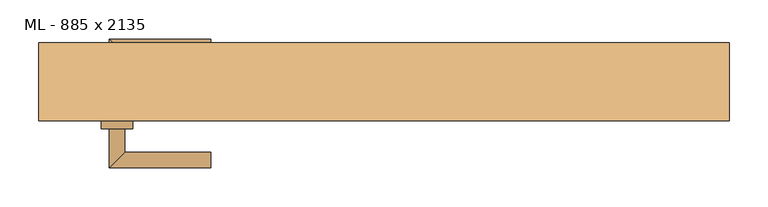
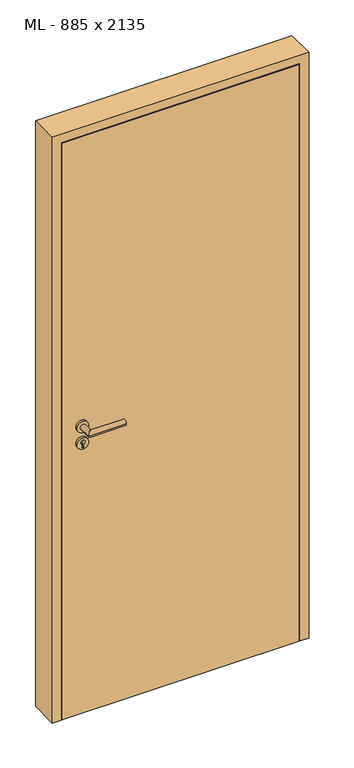
"""IFC4 building model written with IfcOpenShell, lengths in millimetres: door geometry, ML - 885 x 2135."""

from ifc_helpers import new_model, si_unit, point, frame, frame_2d, origin, origin_with_axes, place, context, project, spatial, polyline, circle_curve, ellipse_curve, trimmed, segment, composite_curve, outline, extrude, faceted_brep, source, transform, mapped, element, save
from ifc_brep_helpers import plane_surface, cylinder_surface, advanced_brep


def ml_885_x_2135_fa0ec12d(model_context):
    return source(origin(), model_context, "Body", "SolidModel", [
        extrude(outline(polyline([(408.5, -50.0), (-408.5, -50.0), (-408.5, -5.0), (408.5, -5.0), (408.5, -50.0)])), origin_with_axes(), (0.0, 0.0, 1.0), 2101.0),
        advanced_brep(
        [(-332.5, -60.0, 1050.0), (-352.5, -60.0, 1050.0), (-352.5, -110.0, 1050.0), (-332.5, -90.0, 1050.0), (-222.5, -90.0, 1050.0), (-222.5, -110.0, 1050.0)],
        [
            (0, 1, circle_curve(frame((-342.5, -60.0, 1050.0), z_axis=(0.0, 1.0, 0.0), x_axis=(-1.0, 0.0, 0.0)), 10.0)),
            (1, 0, circle_curve(frame((-342.5, -60.0, 1050.0), z_axis=(0.0, 1.0, 0.0), x_axis=(-1.0, 0.0, 0.0)), 10.0)),
            (1, 2),
            (2, 3, ellipse_curve(frame((-342.5, -100.0, 1050.0), z_axis=(-0.7071067811865531, 0.7071067811865419, 0.0), x_axis=(0.707106781186542, 0.707106781186553, 0.0)), 14.1421356, 10.0)),
            (3, 0),
            (3, 2, ellipse_curve(frame((-342.5, -100.0, 1050.0), z_axis=(-0.7071067811865531, 0.7071067811865419, 0.0), x_axis=(0.707106781186542, 0.707106781186553, 0.0)), 14.1421356, 10.0)),
            (4, 5, circle_curve(frame((-222.5, -100.0, 1050.0), z_axis=(1.0, 0.0, 0.0), x_axis=(0.0, -1.0, 0.0)), 10.0)),
            (5, 4, circle_curve(frame((-222.5, -100.0, 1050.0), z_axis=(1.0, 0.0, 0.0), x_axis=(0.0, -1.0, 0.0)), 10.0)),
            (2, 5),
            (4, 3),
        ],
        [
            plane_surface(frame((-342.5, -60.0, 1050.0), z_axis=(0.0, 1.0, 0.0), x_axis=(0.0, 0.0, 1.0))),
            cylinder_surface(frame((-342.5, -60.0, 1050.0), z_axis=(0.0, 1.0, 0.0), x_axis=(-1.0, 0.0, 0.0)), 10.0),
            plane_surface(frame((-222.5, -100.0, 1050.0), z_axis=(1.0, 0.0, 0.0), x_axis=(0.0, 0.0, 1.0))),
            cylinder_surface(frame((-342.5, -100.0, 1050.0), z_axis=(-1.0, 0.0, 0.0), x_axis=(0.0, -1.0, 0.0)), 10.0),
        ],
        [
            (0, [[1, 2]]),
            (1, [[3, 4, 5, -2]]),
            (1, [[-5, 6, -3, -1]]),
            (2, [[7, 8]]),
            (3, [[9, -7, 10, -4]]),
            (3, [[-10, -8, -9, -6]]),
        ],
    ),
        extrude(outline(composite_curve([segment(trimmed(circle_curve(frame_2d((990.0, -342.5)), 20.0), [point((990.0, -362.5))], [point((990.0, -322.5))], False, "CARTESIAN"), True, "CONTINUOUS"), segment(trimmed(circle_curve(frame_2d((990.0, -342.5)), 20.0), [point((990.0, -322.5))], [point((990.0, -362.5))], False, "CARTESIAN"), True, "CONTINUOUS")], self_intersect=False), holes=[composite_curve([segment(polyline([(976.4601385, -344.897268), (988.4749012, -344.897268)]), True, "CONTINUOUS"), segment(trimmed(circle_curve(frame_2d((995.0361633, -342.5)), 6.9854888), [point((988.4749012, -344.897268))], [point((988.4749012, -340.102732))], True, "CARTESIAN"), True, "CONTINUOUS"), segment(polyline([(988.4749012, -340.102732), (976.4601385, -340.102732)]), True, "CONTINUOUS"), segment(trimmed(circle_curve(frame_2d((976.4601385, -342.5)), 2.397268), [point((976.4601385, -340.102732))], [point((976.4601385, -344.897268))], True, "CARTESIAN"), True, "CONTINUOUS")], self_intersect=False)]), frame((0.0, -60.0, 0.0), z_axis=(0.0, 1.0, 0.0), x_axis=(0.0, 0.0, 1.0)), (0.0, 0.0, 1.0), 10.0),
        advanced_brep(
        [(-332.5, -60.0, 1050.0), (-352.5, -60.0, 1050.0), (-352.5, -110.0, 1050.0), (-332.5, -90.0, 1050.0), (-222.5, -90.0, 1050.0), (-222.5, -110.0, 1050.0)],
        [
            (0, 1, circle_curve(frame((-342.5, -60.0, 1050.0), z_axis=(0.0, 1.0, 0.0), x_axis=(-1.0, 0.0, 0.0)), 10.0)),
            (1, 0, circle_curve(frame((-342.5, -60.0, 1050.0), z_axis=(0.0, 1.0, 0.0), x_axis=(-1.0, 0.0, 0.0)), 10.0)),
            (1, 2),
            (2, 3, ellipse_curve(frame((-342.5, -100.0, 1050.0), z_axis=(-0.7071067811865537, 0.7071067811865414, 0.0), x_axis=(0.7071067811865414, 0.7071067811865536, 0.0)), 14.1421356, 10.0)),
            (3, 0),
            (3, 2, ellipse_curve(frame((-342.5, -100.0, 1050.0), z_axis=(-0.7071067811865537, 0.7071067811865414, 0.0), x_axis=(0.7071067811865414, 0.7071067811865536, 0.0)), 14.1421356, 10.0)),
            (4, 5, circle_curve(frame((-222.5, -100.0, 1050.0), z_axis=(1.0, 0.0, 0.0), x_axis=(0.0, -1.0, 0.0)), 10.0)),
            (5, 4, circle_curve(frame((-222.5, -100.0, 1050.0), z_axis=(1.0, 0.0, 0.0), x_axis=(0.0, -1.0, 0.0)), 10.0)),
            (2, 5),
            (4, 3),
        ],
        [
            plane_surface(frame((-342.5, -60.0, 1050.0), z_axis=(0.0, 1.0, 0.0), x_axis=(0.0, 0.0, 1.0))),
            cylinder_surface(frame((-342.5, -60.0, 1050.0), z_axis=(0.0, 1.0, 0.0), x_axis=(-1.0, 0.0, 0.0)), 10.0),
            plane_surface(frame((-222.5, -100.0, 1050.0), z_axis=(1.0, 0.0, 0.0), x_axis=(0.0, 0.0, 1.0))),
            cylinder_surface(frame((-342.5, -100.0, 1050.0), z_axis=(-1.0, 0.0, 0.0), x_axis=(0.0, -1.0, 0.0)), 10.0),
        ],
        [
            (0, [[1, 2]]),
            (1, [[3, 4, 5, -2]]),
            (1, [[-5, 6, -3, -1]]),
            (2, [[7, 8]]),
            (3, [[9, -7, 10, -4]]),
            (3, [[-10, -8, -9, -6]]),
        ],
    ),
        extrude(outline(composite_curve([segment(trimmed(circle_curve(frame_2d((1050.0, -342.5)), 20.0), [point((1050.0, -362.5))], [point((1050.0, -322.5))], False, "CARTESIAN"), True, "CONTINUOUS"), segment(trimmed(circle_curve(frame_2d((1050.0, -342.5)), 20.0), [point((1050.0, -322.5))], [point((1050.0, -362.5))], False, "CARTESIAN"), True, "CONTINUOUS")], self_intersect=False)), frame((0.0, -60.0, 0.0), z_axis=(0.0, 1.0, 0.0), x_axis=(0.0, 0.0, 1.0)), (0.0, 0.0, 1.0), 10.0),
        advanced_brep(
        [(-332.5, 5.0, 1050.0), (-352.5, 5.0, 1050.0), (-332.5, 35.0, 1050.0), (-352.5, 55.0, 1050.0), (-222.5, 35.0, 1050.0), (-222.5, 55.0, 1050.0)],
        [
            (0, 1, circle_curve(frame((-342.5, 5.0, 1050.0), z_axis=(0.0, -1.0, 0.0), x_axis=(-1.0, 0.0, 0.0)), 10.0)),
            (1, 0, circle_curve(frame((-342.5, 5.0, 1050.0), z_axis=(0.0, -1.0, 0.0), x_axis=(-1.0, 0.0, 0.0)), 10.0)),
            (0, 2),
            (2, 3, ellipse_curve(frame((-342.5, 45.0, 1050.0), z_axis=(-0.7071067811865486, -0.7071067811865464, 0.0), x_axis=(0.7071067811865464, -0.7071067811865488, 0.0)), 14.1421356, 10.0)),
            (3, 1),
            (3, 2, ellipse_curve(frame((-342.5, 45.0, 1050.0), z_axis=(-0.7071067811865486, -0.7071067811865464, 0.0), x_axis=(0.7071067811865464, -0.7071067811865488, 0.0)), 14.1421356, 10.0)),
            (4, 5, circle_curve(frame((-222.5, 45.0, 1050.0), z_axis=(1.0, 0.0, 0.0), x_axis=(0.0, 1.0, 0.0)), 10.0)),
            (5, 4, circle_curve(frame((-222.5, 45.0, 1050.0), z_axis=(1.0, 0.0, 0.0), x_axis=(0.0, 1.0, 0.0)), 10.0)),
            (2, 4),
            (5, 3),
        ],
        [
            plane_surface(frame((-342.5, 5.0, 1050.0), z_axis=(0.0, -1.0, 0.0), x_axis=(0.0, 0.0, 1.0))),
            cylinder_surface(frame((-342.5, 5.0, 1050.0), z_axis=(0.0, -1.0, 0.0), x_axis=(-1.0, 0.0, 0.0)), 10.0),
            plane_surface(frame((-222.5, 45.0, 1050.0), z_axis=(1.0, 0.0, 0.0), x_axis=(0.0, 0.0, 1.0))),
            cylinder_surface(frame((-342.5, 45.0, 1050.0), z_axis=(-1.0, 0.0, 0.0), x_axis=(0.0, 1.0, 0.0)), 10.0),
        ],
        [
            (0, [[1, 2]]),
            (1, [[-1, 3, 4, 5]]),
            (1, [[-2, -5, 6, -3]]),
            (2, [[7, 8]]),
            (3, [[-4, 9, -8, 10]]),
            (3, [[-6, -10, -7, -9]]),
        ],
    ),
        extrude(outline(composite_curve([segment(trimmed(circle_curve(frame_2d((990.0, -342.5)), 20.0), [point((990.0, -362.5))], [point((990.0, -322.5))], False, "CARTESIAN"), True, "CONTINUOUS"), segment(trimmed(circle_curve(frame_2d((990.0, -342.5)), 20.0), [point((990.0, -322.5))], [point((990.0, -362.5))], False, "CARTESIAN"), True, "CONTINUOUS")], self_intersect=False), holes=[composite_curve([segment(polyline([(976.4601385, -344.897268), (988.4749012, -344.897268)]), True, "CONTINUOUS"), segment(trimmed(circle_curve(frame_2d((995.0361633, -342.5)), 6.9854888), [point((988.4749012, -344.897268))], [point((988.4749012, -340.102732))], True, "CARTESIAN"), True, "CONTINUOUS"), segment(polyline([(988.4749012, -340.102732), (976.4601385, -340.102732)]), True, "CONTINUOUS"), segment(trimmed(circle_curve(frame_2d((976.4601385, -342.5)), 2.397268), [point((976.4601385, -340.102732))], [point((976.4601385, -344.897268))], True, "CARTESIAN"), True, "CONTINUOUS")], self_intersect=False)]), frame((0.0, -5.0, 0.0), z_axis=(0.0, 1.0, 0.0), x_axis=(0.0, 0.0, 1.0)), (0.0, 0.0, 1.0), 10.0),
        advanced_brep(
        [(-332.5, 5.0, 1050.0), (-352.5, 5.0, 1050.0), (-332.5, 35.0, 1050.0), (-352.5, 55.0, 1050.0), (-222.5, 35.0, 1050.0), (-222.5, 55.0, 1050.0)],
        [
            (0, 1, circle_curve(frame((-342.5, 5.0, 1050.0), z_axis=(0.0, -1.0, 0.0), x_axis=(-1.0, 0.0, 0.0)), 10.0)),
            (1, 0, circle_curve(frame((-342.5, 5.0, 1050.0), z_axis=(0.0, -1.0, 0.0), x_axis=(-1.0, 0.0, 0.0)), 10.0)),
            (0, 2),
            (2, 3, ellipse_curve(frame((-342.5, 45.0, 1050.0), z_axis=(-0.7071067811865491, -0.7071067811865459, 0.0), x_axis=(0.7071067811865458, -0.7071067811865492, 0.0)), 14.1421356, 10.0)),
            (3, 1),
            (3, 2, ellipse_curve(frame((-342.5, 45.0, 1050.0), z_axis=(-0.7071067811865491, -0.7071067811865459, 0.0), x_axis=(0.7071067811865458, -0.7071067811865492, 0.0)), 14.1421356, 10.0)),
            (4, 5, circle_curve(frame((-222.5, 45.0, 1050.0), z_axis=(1.0, 0.0, 0.0), x_axis=(0.0, 1.0, 0.0)), 10.0)),
            (5, 4, circle_curve(frame((-222.5, 45.0, 1050.0), z_axis=(1.0, 0.0, 0.0), x_axis=(0.0, 1.0, 0.0)), 10.0)),
            (2, 4),
            (5, 3),
        ],
        [
            plane_surface(frame((-342.5, 5.0, 1050.0), z_axis=(0.0, -1.0, 0.0), x_axis=(0.0, 0.0, 1.0))),
            cylinder_surface(frame((-342.5, 5.0, 1050.0), z_axis=(0.0, -1.0, 0.0), x_axis=(-1.0, 0.0, 0.0)), 10.0),
            plane_surface(frame((-222.5, 45.0, 1050.0), z_axis=(1.0, 0.0, 0.0), x_axis=(0.0, 0.0, 1.0))),
            cylinder_surface(frame((-342.5, 45.0, 1050.0), z_axis=(-1.0, 0.0, 0.0), x_axis=(0.0, 1.0, 0.0)), 10.0),
        ],
        [
            (0, [[1, 2]]),
            (1, [[-1, 3, 4, 5]]),
            (1, [[-2, -5, 6, -3]]),
            (2, [[7, 8]]),
            (3, [[-4, 9, -8, 10]]),
            (3, [[-6, -10, -7, -9]]),
        ],
    ),
        extrude(outline(composite_curve([segment(trimmed(circle_curve(frame_2d((1050.0, -342.5)), 20.0), [point((1050.0, -362.5))], [point((1050.0, -322.5))], False, "CARTESIAN"), True, "CONTINUOUS"), segment(trimmed(circle_curve(frame_2d((1050.0, -342.5)), 20.0), [point((1050.0, -322.5))], [point((1050.0, -362.5))], False, "CARTESIAN"), True, "CONTINUOUS")], self_intersect=False)), frame((0.0, -5.0, 0.0), z_axis=(0.0, 1.0, 0.0), x_axis=(0.0, 0.0, 1.0)), (0.0, 0.0, 1.0), 10.0),
        faceted_brep([(-412.5, -50.0, 0.0), (-442.5, -50.0, 0.0), (-442.5, 50.0, 0.0), (-397.5, 50.0, 0.0), (-397.5, -5.0, 0.0), (-412.5, -5.0, 0.0), (-412.5, -5.0, 2105.0), (-412.5, -50.0, 2105.0), (-397.5, -5.0, 2090.0), (397.5, -5.0, 2090.0), (397.5, -5.0, 0.0), (412.5, -5.0, 0.0), (412.5, -5.0, 2105.0), (-397.5, 50.0, 2090.0), (-442.5, 50.0, 2135.0), (442.5, 50.0, 2135.0), (442.5, 50.0, 0.0), (397.5, 50.0, 0.0), (397.5, 50.0, 2090.0), (-442.5, -50.0, 2135.0), (412.5, -50.0, 2105.0), (412.5, -50.0, 0.0), (442.5, -50.0, 0.0), (442.5, -50.0, 2135.0)], [[[0, 1, 2, 3, 4, 5]], [[5, 6, 7, 0]], [[4, 8, 9, 10, 11, 12, 6, 5]], [[3, 13, 8, 4]], [[2, 14, 15, 16, 17, 18, 13, 3]], [[1, 19, 14, 2]], [[0, 7, 20, 21, 22, 23, 19, 1]], [[23, 22, 16, 15]], [[21, 11, 10, 17, 16, 22]], [[12, 11, 21, 20]], [[18, 17, 10, 9]], [[19, 23, 15, 14]], [[13, 18, 9, 8]], [[6, 12, 20, 7]]]),
    ])


if __name__ == "__main__":
    model = new_model("IFC4")
    model_context = context("Model", 3, world=origin())
    ifc_project = project(units=[si_unit("LENGTHUNIT", "METRE", prefix="MILLI")], contexts=[model_context])
    site = spatial("IfcSite", under=ifc_project)
    building = spatial("IfcBuilding", under=site)
    placement = place(None, origin())
    ml_885_x_2135_shape = ml_885_x_2135_fa0ec12d(model_context)
    element("IfcDoor", 1, ObjectType="ML - 885 x 2135", at=placement, inside=building, context=model_context, shape_type="MappedRepresentation", body=[
        mapped(ml_885_x_2135_shape, transform((0.0, 0.0, 0.0), x_axis=(1.0, 0.0, 0.0), y_axis=(0.0, 1.0, 0.0), z_axis=(0.0, 0.0, 1.0))),
    ])
    save(model, "model.ifc")
